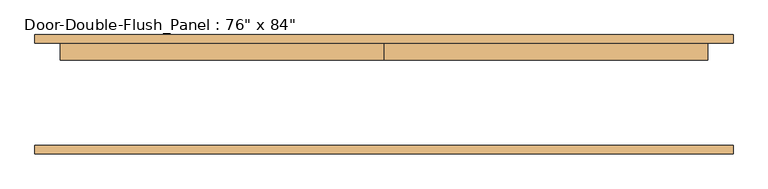
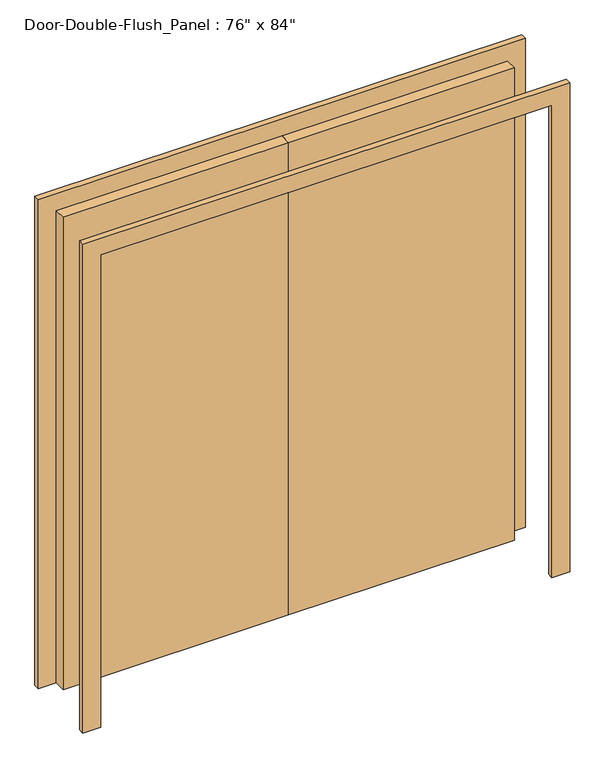
"""IFC4 building model written with IfcOpenShell, lengths in millimetres: door geometry."""

from ifc_helpers import new_model, si_unit, frame, origin, origin_with_axes, place, context, project, spatial, polyline, outline, extrude, source, transform, mapped, element, save


def door_8caadd2a(model_context):
    return source(origin(), model_context, "Body", "SweptSolid", [
        extrude(outline(polyline([(2133.6, -965.2), (2133.6, 965.2), (0.0, 965.2), (0.0, 1041.4), (2209.8, 1041.4), (2209.8, -1041.4), (0.0, -1041.4), (0.0, -965.2), (2133.6, -965.2)])), frame((0.0, -177.8, 0.0), z_axis=(0.0, 1.0, 0.0), x_axis=(0.0, 0.0, 1.0)), (0.0, 0.0, 1.0), 25.4),
        extrude(outline(polyline([(2133.6, -965.2), (2133.6, 965.2), (0.0, 965.2), (0.0, 1041.4), (2209.8, 1041.4), (2209.8, -1041.4), (0.0, -1041.4), (0.0, -965.2), (2133.6, -965.2)])), frame((0.0, 152.4, 0.0), z_axis=(0.0, 1.0, 0.0), x_axis=(0.0, 0.0, 1.0)), (0.0, 0.0, 1.0), 25.4),
        extrude(outline(polyline([(0.0, 152.4), (965.2, 152.4), (965.2, 101.6), (0.0, 101.6), (0.0, 152.4)])), origin_with_axes(), (0.0, 0.0, 1.0), 2133.6),
        extrude(outline(polyline([(-965.2, 152.4), (0.0, 152.4), (0.0, 101.6), (-965.2, 101.6), (-965.2, 152.4)])), origin_with_axes(), (0.0, 0.0, 1.0), 2133.6),
    ])


if __name__ == "__main__":
    model = new_model("IFC4")
    model_context = context("Model", 3, world=origin())
    ifc_project = project(units=[si_unit("LENGTHUNIT", "METRE", prefix="MILLI")], contexts=[model_context])
    site = spatial("IfcSite", under=ifc_project)
    building = spatial("IfcBuilding", under=site)
    placement = place(None, origin())
    door_shape = door_8caadd2a(model_context)
    element("IfcDoor", 1, ObjectType="Door-Double-Flush_Panel : 76\" x 84\"", at=placement, inside=building, context=model_context, shape_type="MappedRepresentation", body=[
        mapped(door_shape, transform((0.0, 0.0, 0.0), x_axis=(1.0, 0.0, 0.0), y_axis=(0.0, 1.0, 0.0), z_axis=(0.0, 0.0, 1.0))),
    ])
    save(model, "model.ifc")
